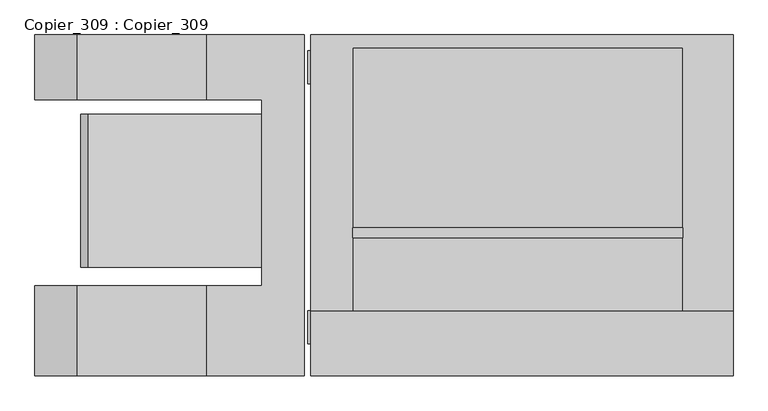
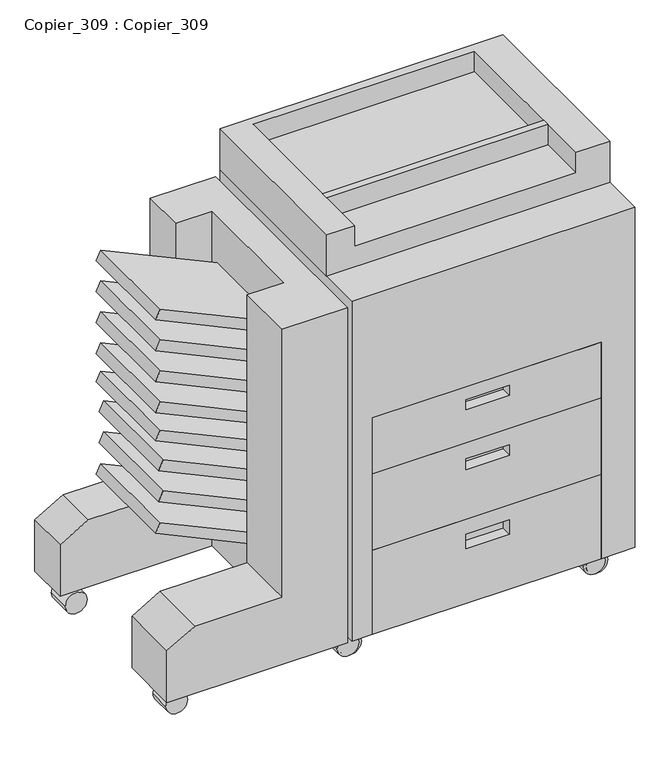
"""IFC4 building model written with IfcOpenShell, lengths in millimetres: proxy geometry, Copier_309 : Copier_309."""

from ifc_helpers import new_model, si_unit, point, frame, frame_2d, origin, place, context, project, spatial, polyline, circle_curve, trimmed, segment, composite_curve, outline, extrude, faceted_brep, source, transform, mapped, element, save


def copier_309_copier_309_a40bf9c1(model_context):
    return source(origin(), model_context, "Body", "SolidModel", [
        extrude(outline(polyline([(387.7567294, -681.6535349), (364.7365116, -692.3880388), (232.9041289, -409.6725817), (260.929928, -409.6725817), (387.7567294, -681.6535349)])), frame((0.0, -72.1685532, 0.0), z_axis=(0.0, 1.0, 0.0), x_axis=(0.0, 0.0, 1.0)), (0.0, 0.0, 1.0), 239.8222339),
        extrude(outline(polyline([(463.6667654, -675.0122673), (440.6465476, -685.7467712), (311.9110388, -409.6725817), (339.9368379, -409.6725817), (463.6667654, -675.0122673)])), frame((0.0, -72.1685532, 0.0), z_axis=(0.0, 1.0, 0.0), x_axis=(0.0, 0.0, 1.0)), (0.0, 0.0, 1.0), 239.8222339),
        extrude(outline(polyline([(539.8667654, -675.0122673), (516.8465476, -685.7467712), (388.1110388, -409.6725817), (416.1368379, -409.6725817), (539.8667654, -675.0122673)])), frame((0.0, -72.1685532, 0.0), z_axis=(0.0, 1.0, 0.0), x_axis=(0.0, 0.0, 1.0)), (0.0, 0.0, 1.0), 239.8222339),
        extrude(outline(polyline([(914.2268014, -681.6535349), (891.2065836, -692.3880388), (759.3742009, -409.6725817), (787.4, -409.6725817), (914.2268014, -681.6535349)])), frame((0.0, -72.1685532, 0.0), z_axis=(0.0, 1.0, 0.0), x_axis=(0.0, 0.0, 1.0)), (0.0, 0.0, 1.0), 239.8222339),
        extrude(outline(polyline([(838.0268014, -681.6535349), (815.0065836, -692.3880388), (683.1742009, -409.6725817), (711.2, -409.6725817), (838.0268014, -681.6535349)])), frame((0.0, -72.1685532, 0.0), z_axis=(0.0, 1.0, 0.0), x_axis=(0.0, 0.0, 1.0)), (0.0, 0.0, 1.0), 239.8222339),
        extrude(outline(polyline([(615.7768014, -681.6535349), (592.7565836, -692.3880388), (460.9242009, -409.6725817), (488.95, -409.6725817), (615.7768014, -681.6535349)])), frame((0.0, -72.1685532, 0.0), z_axis=(0.0, 1.0, 0.0), x_axis=(0.0, 0.0, 1.0)), (0.0, 0.0, 1.0), 239.8222339),
        extrude(outline(polyline([(685.6268014, -681.6535349), (662.6065836, -692.3880388), (530.7742009, -409.6725817), (558.8, -409.6725817), (685.6268014, -681.6535349)])), frame((0.0, -72.1685532, 0.0), z_axis=(0.0, 1.0, 0.0), x_axis=(0.0, 0.0, 1.0)), (0.0, 0.0, 1.0), 239.8222339),
        extrude(outline(polyline([(761.8268014, -681.6535349), (738.8065836, -692.3880388), (606.9742009, -409.6725817), (635.0, -409.6725817), (761.8268014, -681.6535349)])), frame((0.0, -72.1685532, 0.0), z_axis=(0.0, 1.0, 0.0), x_axis=(0.0, 0.0, 1.0)), (0.0, 0.0, 1.0), 239.8222339),
        extrude(outline(composite_curve([segment(trimmed(circle_curve(frame_2d((26.0668925, -711.8709821)), 25.4), [point((26.0668925, -737.2709821))], [point((26.0668925, -686.4709821))], False, "CARTESIAN"), True, "CONTINUOUS"), segment(trimmed(circle_curve(frame_2d((26.0668925, -711.8709821)), 25.4), [point((26.0668925, -686.4709821))], [point((26.0668925, -737.2709821))], False, "CARTESIAN"), True, "CONTINUOUS")], self_intersect=False)), frame((0.0, 215.1689468, 0.0), z_axis=(0.0, 1.0, 0.0), x_axis=(0.0, 0.0, 1.0)), (0.0, 0.0, 1.0), 55.9418879),
        extrude(outline(composite_curve([segment(trimmed(circle_curve(frame_2d((26.0668925, -711.8709821)), 25.4), [point((26.0668925, -737.2709821))], [point((26.0668925, -686.4709821))], False, "CARTESIAN"), True, "CONTINUOUS"), segment(trimmed(circle_curve(frame_2d((26.0668925, -711.8709821)), 25.4), [point((26.0668925, -686.4709821))], [point((26.0668925, -737.2709821))], False, "CARTESIAN"), True, "CONTINUOUS")], self_intersect=False)), frame((0.0, -191.2310532, 0.0), z_axis=(0.0, 1.0, 0.0), x_axis=(0.0, 0.0, 1.0)), (0.0, 0.0, 1.0), 51.3258053),
        faceted_brep([(-764.1654582, -242.0310532, 76.2), (-342.5743224, -242.0310532, 76.2), (-342.5743224, -242.0310532, 901.7), (-494.9743224, -242.0310532, 901.7), (-494.9743224, -242.0310532, 241.3), (-698.1743224, -242.0310532, 241.3), (-764.1654582, -242.0310532, 203.2), (-764.1654582, 291.3689468, 76.2), (-764.1654582, 291.3689468, 203.2), (-698.1743224, 291.3689468, 241.3), (-494.9743224, 291.3689468, 241.3), (-494.9743224, 291.3689468, 901.7), (-342.5743224, 291.3689468, 901.7), (-342.5743224, 291.3689468, 76.2), (-764.1654582, -100.8888364, 76.2), (-409.6725817, -100.8888364, 76.2), (-409.6725817, 189.7689468, 76.2), (-764.1654582, 189.7689468, 76.2), (-494.9743224, 189.7689468, 901.7), (-409.6725817, 189.7689468, 901.7), (-409.6725817, -100.8888364, 901.7), (-494.9743224, -100.8888364, 901.7), (-494.9743224, -100.8888364, 241.3), (-494.9743224, 189.7689468, 241.3), (-698.1743224, -100.8888364, 241.3), (-698.1743224, 189.7689468, 241.3), (-764.1654582, -100.8888364, 203.2), (-764.1654582, 189.7689468, 203.2)], [[[0, 1, 2, 3, 4, 5, 6]], [[7, 8, 9, 10, 11, 12, 13]], [[1, 0, 14, 15, 16, 17, 7, 13]], [[2, 1, 13, 12]], [[3, 2, 12, 11, 18, 19, 20, 21]], [[4, 3, 21, 22]], [[11, 10, 23, 18]], [[5, 4, 22, 24]], [[10, 9, 25, 23]], [[6, 5, 24, 26]], [[9, 8, 27, 25]], [[0, 6, 26, 14]], [[8, 7, 17, 27]], [[16, 19, 18, 23, 25, 27, 17]], [[20, 15, 14, 26, 24, 22, 21]], [[19, 16, 15, 20]]]),
        extrude(outline(composite_curve([segment(trimmed(circle_curve(frame_2d((27.9129458, -312.2555429)), 25.4), [point((27.9129458, -337.6555429))], [point((27.9129458, -286.8555429))], False, "CARTESIAN"), True, "CONTINUOUS"), segment(trimmed(circle_curve(frame_2d((27.9129458, -312.2555429)), 25.4), [point((27.9129458, -286.8555429))], [point((27.9129458, -337.6555429))], False, "CARTESIAN"), True, "CONTINUOUS")], self_intersect=False)), frame((0.0, 215.1689468, 0.0), z_axis=(0.0, 1.0, 0.0), x_axis=(0.0, 0.0, 1.0)), (0.0, 0.0, 1.0), 51.3258053),
        extrude(outline(composite_curve([segment(trimmed(circle_curve(frame_2d((27.9129458, 262.7398948)), 25.4), [point((27.9129458, 237.3398948))], [point((27.9129458, 288.1398948))], False, "CARTESIAN"), True, "CONTINUOUS"), segment(trimmed(circle_curve(frame_2d((27.9129458, 262.7398948)), 25.4), [point((27.9129458, 288.1398948))], [point((27.9129458, 237.3398948))], False, "CARTESIAN"), True, "CONTINUOUS")], self_intersect=False)), frame((0.0, 215.1689468, 0.0), z_axis=(0.0, 1.0, 0.0), x_axis=(0.0, 0.0, 1.0)), (0.0, 0.0, 1.0), 51.3258053),
        extrude(outline(composite_curve([segment(trimmed(circle_curve(frame_2d((27.9129458, -312.2555429)), 25.4), [point((27.9129458, -337.6555429))], [point((27.9129458, -286.8555429))], False, "CARTESIAN"), True, "CONTINUOUS"), segment(trimmed(circle_curve(frame_2d((27.9129458, -312.2555429)), 25.4), [point((27.9129458, -286.8555429))], [point((27.9129458, -337.6555429))], False, "CARTESIAN"), True, "CONTINUOUS")], self_intersect=False)), frame((0.0, -191.2310532, 0.0), z_axis=(0.0, 1.0, 0.0), x_axis=(0.0, 0.0, 1.0)), (0.0, 0.0, 1.0), 51.3258053),
        extrude(outline(composite_curve([segment(trimmed(circle_curve(frame_2d((27.9129458, 262.7398948)), 25.4), [point((27.9129458, 237.3398948))], [point((27.9129458, 288.1398948))], False, "CARTESIAN"), True, "CONTINUOUS"), segment(trimmed(circle_curve(frame_2d((27.9129458, 262.7398948)), 25.4), [point((27.9129458, 288.1398948))], [point((27.9129458, 237.3398948))], False, "CARTESIAN"), True, "CONTINUOUS")], self_intersect=False)), frame((0.0, -191.2310532, 0.0), z_axis=(0.0, 1.0, 0.0), x_axis=(0.0, 0.0, 1.0)), (0.0, 0.0, 1.0), 51.3258053),
        extrude(outline(composite_curve([segment(trimmed(circle_curve(frame_2d((27.9129458, -306.6302391)), 25.4), [point((27.9129458, -332.0302391))], [point((27.9129458, -281.2302391))], False, "CARTESIAN"), True, "CONTINUOUS"), segment(trimmed(circle_curve(frame_2d((27.9129458, -306.6302391)), 25.4), [point((27.9129458, -281.2302391))], [point((27.9129458, -332.0302391))], False, "CARTESIAN"), True, "CONTINUOUS")], self_intersect=False)), frame((0.0, -191.2310532, 0.0), z_axis=(0.0, 1.0, 0.0), x_axis=(0.0, 0.0, 1.0)), (0.0, 0.0, 1.0), 51.3258053),
        extrude(outline(composite_curve([segment(trimmed(circle_curve(frame_2d((27.9129458, 268.3651986)), 25.4), [point((27.9129458, 242.9651986))], [point((27.9129458, 293.7651986))], False, "CARTESIAN"), True, "CONTINUOUS"), segment(trimmed(circle_curve(frame_2d((27.9129458, 268.3651986)), 25.4), [point((27.9129458, 293.7651986))], [point((27.9129458, 242.9651986))], False, "CARTESIAN"), True, "CONTINUOUS")], self_intersect=False)), frame((0.0, -191.2310532, 0.0), z_axis=(0.0, 1.0, 0.0), x_axis=(0.0, 0.0, 1.0)), (0.0, 0.0, 1.0), 51.3258053),
        extrude(outline(polyline([(249.314028, -26.1310532), (-267.2959958, -26.1310532), (-267.2959958, -10.0577181), (249.314028, -10.0577181), (249.314028, -26.1310532)])), frame((0.0, 0.0, 965.2), z_axis=(0.0, 0.0, 1.0), x_axis=(1.0, 0.0, 0.0)), (0.0, 0.0, 1.0), 50.8),
        faceted_brep([(249.314028, -242.0310532, 472.3553727), (249.314028, -242.0310532, 609.6), (-284.085972, -242.0310532, 609.6), (-284.085972, -242.0310532, 472.3553727), (-66.7741493, -242.0310532, 578.8591447), (34.8258507, -242.0310532, 578.8591447), (34.8258507, -242.0310532, 553.4591447), (-66.7741493, -242.0310532, 553.4591447), (249.314028, -191.2310532, 472.3553727), (-284.085972, -191.2310532, 472.3553727), (-284.085972, -191.2310532, 609.6), (249.314028, -191.2310532, 609.6), (34.8258507, -216.6310532, 578.8591447), (-66.7741493, -216.6310532, 578.8591447), (-66.7741493, -216.6310532, 553.4591447), (34.8258507, -216.6310532, 553.4591447)], [[[0, 1, 2, 3], [4, 5, 6, 7]], [[8, 9, 10, 11]], [[1, 0, 8, 11]], [[2, 1, 11, 10]], [[3, 2, 10, 9]], [[0, 3, 9, 8]], [[12, 13, 14, 15]], [[13, 12, 5, 4]], [[14, 13, 4, 7]], [[15, 14, 7, 6]], [[12, 15, 6, 5]]]),
        faceted_brep([(249.314028, -242.0310532, 283.8723489), (249.314028, -242.0310532, 472.3553727), (-284.085972, -242.0310532, 472.3553727), (-284.085972, -242.0310532, 283.8723489), (-66.7741493, -242.0310532, 432.3774172), (34.8258507, -242.0310532, 432.3774172), (34.8258507, -242.0310532, 406.4), (-66.7741493, -242.0310532, 406.4), (249.314028, -191.2310532, 283.8723489), (-284.085972, -191.2310532, 283.8723489), (-284.085972, -191.2310532, 472.3553727), (249.314028, -191.2310532, 472.3553727), (34.8258507, -216.6310532, 432.3774172), (-66.7741493, -216.6310532, 432.3774172), (-66.7741493, -216.6310532, 406.4), (34.8258507, -216.6310532, 406.4)], [[[0, 1, 2, 3], [4, 5, 6, 7]], [[8, 9, 10, 11]], [[1, 0, 8, 11]], [[2, 1, 11, 10]], [[3, 2, 10, 9]], [[0, 3, 9, 8]], [[12, 13, 14, 15]], [[13, 12, 5, 4]], [[14, 13, 4, 7]], [[15, 14, 7, 6]], [[12, 15, 6, 5]]]),
        faceted_brep([(249.314028, -242.0310532, 76.2), (249.314028, -242.0310532, 283.8723489), (-284.085972, -242.0310532, 283.8723489), (-284.085972, -242.0310532, 76.2), (-66.7741493, -242.0310532, 246.5423898), (34.8258507, -242.0310532, 246.5423898), (34.8258507, -242.0310532, 211.1096445), (-66.7741493, -242.0310532, 211.1096445), (249.314028, -191.2310532, 76.2), (-284.085972, -191.2310532, 76.2), (-284.085972, -191.2310532, 283.8723489), (249.314028, -191.2310532, 283.8723489), (34.8258507, -216.6310532, 246.5423898), (-66.7741493, -216.6310532, 246.5423898), (-66.7741493, -216.6310532, 211.1096445), (34.8258507, -216.6310532, 211.1096445)], [[[0, 1, 2, 3], [4, 5, 6, 7]], [[8, 9, 10, 11]], [[1, 0, 8, 11]], [[2, 1, 11, 10]], [[3, 2, 10, 9]], [[0, 3, 9, 8]], [[12, 13, 14, 15]], [[13, 12, 5, 4]], [[14, 13, 4, 7]], [[15, 14, 7, 6]], [[12, 15, 6, 5]]]),
        faceted_brep([(328.0345418, 291.3689468, 1016.0), (-332.3654582, 291.3689468, 1016.0), (-332.3654582, -139.9052479, 1016.0), (-267.2959958, -139.9052479, 1016.0), (-267.2959958, 271.1108348, 1016.0), (249.314028, 271.1108348, 1016.0), (249.314028, -139.9052479, 1016.0), (328.0345418, -139.9052479, 1016.0), (328.0345418, 291.3689468, 914.4), (328.0345418, -139.9052479, 914.4), (-332.3654582, -139.9052479, 914.4), (-332.3654582, 291.3689468, 914.4), (249.314028, -139.9052479, 965.2), (-267.2959958, -139.9052479, 965.2), (249.314028, 271.1108348, 965.2), (-267.2959958, 271.1108348, 965.2)], [[[0, 1, 2, 3, 4, 5, 6, 7]], [[8, 9, 10, 11]], [[1, 0, 8, 11]], [[2, 1, 11, 10]], [[10, 9, 7, 6, 12, 13, 3, 2]], [[0, 7, 9, 8]], [[14, 15, 13, 12]], [[15, 14, 5, 4]], [[13, 15, 4, 3]], [[14, 12, 6, 5]]]),
        faceted_brep([(328.0345418, 291.3689468, 914.4), (-332.3654582, 291.3689468, 914.4), (-332.3654582, -242.0310532, 914.4), (328.0345418, -242.0310532, 914.4), (328.0345418, 291.3689468, 76.2), (328.0345418, -242.0310532, 76.2), (249.314028, -242.0310532, 76.2), (249.314028, -191.2310532, 76.2), (-284.085972, -191.2310532, 76.2), (-284.085972, -242.0310532, 76.2), (-332.3654582, -242.0310532, 76.2), (-332.3654582, 291.3689468, 76.2), (-284.085972, -242.0310532, 609.6), (249.314028, -242.0310532, 609.6), (-284.085972, -191.2310532, 609.6), (249.314028, -191.2310532, 609.6)], [[[0, 1, 2, 3]], [[4, 5, 6, 7, 8, 9, 10, 11]], [[1, 0, 4, 11]], [[2, 1, 11, 10]], [[3, 2, 10, 9, 12, 13, 6, 5]], [[0, 3, 5, 4]], [[14, 8, 7, 15]], [[8, 14, 12, 9]], [[15, 7, 6, 13]], [[14, 15, 13, 12]]]),
    ])


if __name__ == "__main__":
    model = new_model("IFC4")
    model_context = context("Model", 3, world=origin())
    ifc_project = project(units=[si_unit("LENGTHUNIT", "METRE", prefix="MILLI")], contexts=[model_context])
    site = spatial("IfcSite", under=ifc_project)
    building = spatial("IfcBuilding", under=site)
    placement = place(None, origin())
    copier_309_copier_309_shape = copier_309_copier_309_a40bf9c1(model_context)
    element("IfcBuildingElementProxy", 1, Name="Copier_309 : Copier_309", ObjectType="Copier_309 : Copier_309", at=placement, inside=building, context=model_context, shape_type="MappedRepresentation", body=[
        mapped(copier_309_copier_309_shape, transform((0.0, 0.0, 0.0), x_axis=(1.0, 0.0, 0.0), y_axis=(0.0, 1.0, 0.0), z_axis=(0.0, 0.0, 1.0))),
    ])
    save(model, "model.ifc")
